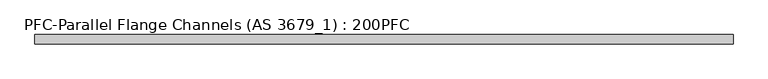
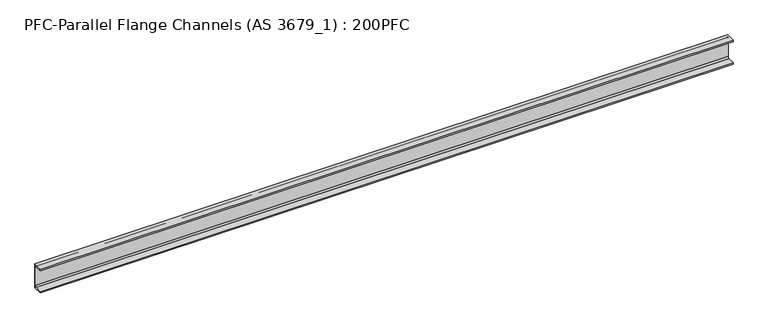
"""IFC4 building model written with IfcOpenShell, lengths in millimetres: beam geometry, PFC-Parallel Flange Channels (AS 3679_1) : 200PFC."""

from ifc_helpers import new_model, si_unit, point, frame, frame_2d, origin, place, context, project, spatial, polyline, circle_curve, trimmed, segment, composite_curve, outline, extrude, source, transform, mapped, element, save


def pfc_parallel_flange_channels_as_3679_1_200pfc_c8f3b62d(model_context):
    return source(origin(), model_context, "Body", "SweptSolid", [
        extrude(outline(composite_curve([segment(polyline([(24.4, 100.0), (24.4, -100.0), (-50.6, -100.0), (-50.6, -88.0), (6.4, -88.0)]), True, "CONTINUOUS"), segment(trimmed(circle_curve(frame_2d((6.4, -76.0)), 12.0), [point((6.4, -88.0))], [point((18.4, -76.0))], True, "CARTESIAN"), True, "CONTINUOUS"), segment(polyline([(18.4, -76.0), (18.4, 76.0)]), True, "CONTINUOUS"), segment(trimmed(circle_curve(frame_2d((6.4, 76.0)), 12.0), [point((18.4, 76.0))], [point((6.4, 88.0))], True, "CARTESIAN"), True, "CONTINUOUS"), segment(polyline([(6.4, 88.0), (-50.6, 88.0), (-50.6, 100.0), (24.4, 100.0)]), True, "CONTINUOUS")], self_intersect=False)), frame((-2756.7, 0.0, 0.0), z_axis=(1.0, 0.0, 0.0), x_axis=(0.0, 1.0, 0.0)), (0.0, 0.0, 1.0), 5513.4),
    ])


if __name__ == "__main__":
    model = new_model("IFC4")
    model_context = context("Model", 3, world=origin())
    ifc_project = project(units=[si_unit("LENGTHUNIT", "METRE", prefix="MILLI")], contexts=[model_context])
    site = spatial("IfcSite", under=ifc_project)
    building = spatial("IfcBuilding", under=site)
    placement = place(None, origin())
    pfc_parallel_flange_channels_as_3679_1_200pfc_shape = pfc_parallel_flange_channels_as_3679_1_200pfc_c8f3b62d(model_context)
    element("IfcBeam", 1, ObjectType="PFC-Parallel Flange Channels (AS 3679_1) : 200PFC", at=placement, inside=building, context=model_context, shape_type="MappedRepresentation", body=[
        mapped(pfc_parallel_flange_channels_as_3679_1_200pfc_shape, transform((0.0, 0.0, 0.0), x_axis=(1.0, 0.0, 0.0), y_axis=(0.0, 1.0, 0.0), z_axis=(0.0, 0.0, 1.0))),
    ])
    save(model, "model.ifc")
